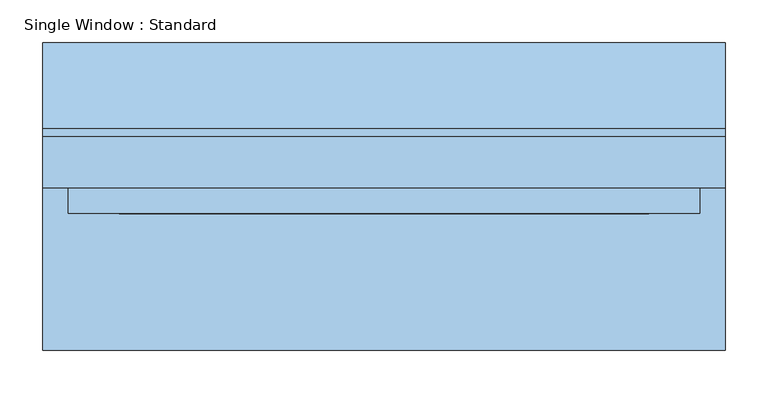
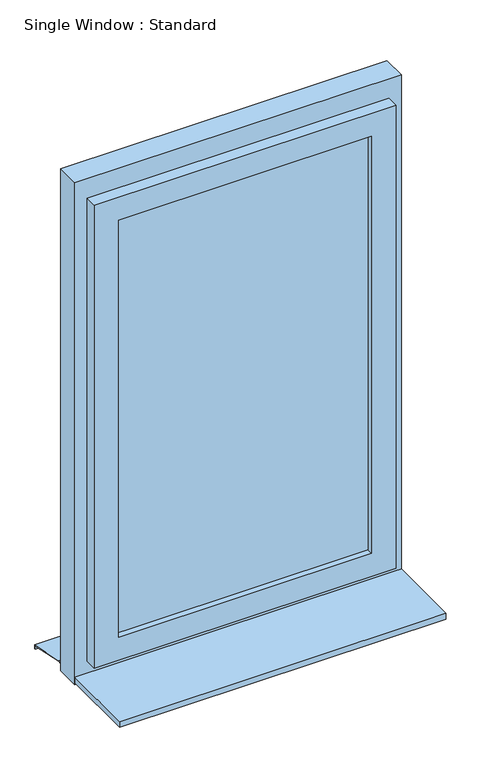
"""IFC4 building model written with IfcOpenShell, lengths in millimetres: window geometry, Single Window : Standard."""

from ifc_helpers import new_model, si_unit, frame, origin, place, context, project, spatial, polyline, outline, extrude, faceted_brep, source, transform, mapped, element, save


def single_window_standard_ed19f49e(model_context):
    return source(origin(), model_context, "Body", "SolidModel", [
        extrude(outline(polyline([(310.0, -5.0), (-310.0, -5.0), (-310.0, 25.0), (310.0, 25.0), (310.0, -5.0)])), frame((0.0, 0.0, 1110.0), z_axis=(0.0, 0.0, 1.0), x_axis=(1.0, 0.0, 0.0)), (0.0, 0.0, 1.0), 1080.0),
        faceted_brep([(370.0, 10.0, 2250.0), (370.0, -20.0, 2250.0), (370.0, -20.0, 1050.0), (370.0, 10.0, 1050.0), (340.0, 40.0, 2220.0), (340.0, 10.0, 2220.0), (340.0, 10.0, 1080.0), (340.0, 40.0, 1080.0), (310.0, -20.0, 2190.0), (310.0, 40.0, 2190.0), (310.0, 40.0, 1110.0), (310.0, -20.0, 1110.0), (-370.0, -20.0, 1050.0), (-370.0, 10.0, 1050.0), (-340.0, 10.0, 1080.0), (-340.0, 40.0, 1080.0), (-310.0, 40.0, 1110.0), (-310.0, -20.0, 1110.0), (-370.0, -20.0, 2250.0), (-370.0, 10.0, 2250.0), (-340.0, 10.0, 2220.0), (-340.0, 40.0, 2220.0), (-310.0, 40.0, 2190.0), (-310.0, -20.0, 2190.0)], [[[0, 1, 2, 3]], [[4, 5, 6, 7]], [[8, 9, 10, 11]], [[3, 2, 12, 13]], [[7, 6, 14, 15]], [[11, 10, 16, 17]], [[13, 12, 18, 19]], [[15, 14, 20, 21]], [[17, 16, 22, 23]], [[19, 18, 1, 0]], [[3, 13, 19, 0], [5, 20, 14, 6]], [[21, 20, 5, 4]], [[7, 15, 21, 4], [9, 22, 16, 10]], [[23, 22, 9, 8]], [[1, 18, 12, 2], [11, 17, 23, 8]]]),
        extrude(outline(polyline([(2300.0, 400.0), (2300.0, -400.0), (1000.0, -400.0), (1000.0, 400.0), (2300.0, 400.0)]), holes=[polyline([(2220.0, 340.0), (1080.0, 340.0), (1080.0, -340.0), (2220.0, -340.0), (2220.0, 340.0)])]), frame((0.0, 10.0, 0.0), z_axis=(0.0, 1.0, 0.0), x_axis=(0.0, 0.0, 1.0)), (0.0, 0.0, 1.0), 60.0),
        extrude(outline(polyline([(80.0221543, 1020.0), (180.0, 1000.0), (180.0, 990.0), (178.0, 990.0), (178.0, 998.3604634), (79.8240723, 1018.0), (70.0, 1018.0), (70.0, 1020.0), (80.0221543, 1020.0)])), frame((-400.0, 0.0, 0.0), z_axis=(1.0, 0.0, 0.0), x_axis=(0.0, 1.0, 0.0)), (0.0, 0.0, 1.0), 800.0),
        extrude(outline(polyline([(-400.0, -180.0), (-400.0, 10.0), (400.0, 10.0), (400.0, -180.0), (-400.0, -180.0)])), frame((0.0, 0.0, 1005.0), z_axis=(0.0, 0.0, 1.0), x_axis=(1.0, 0.0, 0.0)), (0.0, 0.0, 1.0), 15.0),
    ])


if __name__ == "__main__":
    model = new_model("IFC4")
    model_context = context("Model", 3, world=origin())
    ifc_project = project(units=[si_unit("LENGTHUNIT", "METRE", prefix="MILLI")], contexts=[model_context])
    site = spatial("IfcSite", under=ifc_project)
    building = spatial("IfcBuilding", under=site)
    placement = place(None, origin())
    single_window_standard_shape = single_window_standard_ed19f49e(model_context)
    element("IfcWindow", 1, ObjectType="Single Window : Standard", at=placement, inside=building, context=model_context, shape_type="MappedRepresentation", body=[
        mapped(single_window_standard_shape, transform((0.0, 0.0, 0.0), x_axis=(1.0, 0.0, 0.0), y_axis=(0.0, 1.0, 0.0), z_axis=(0.0, 0.0, 1.0))),
    ])
    save(model, "model.ifc")
